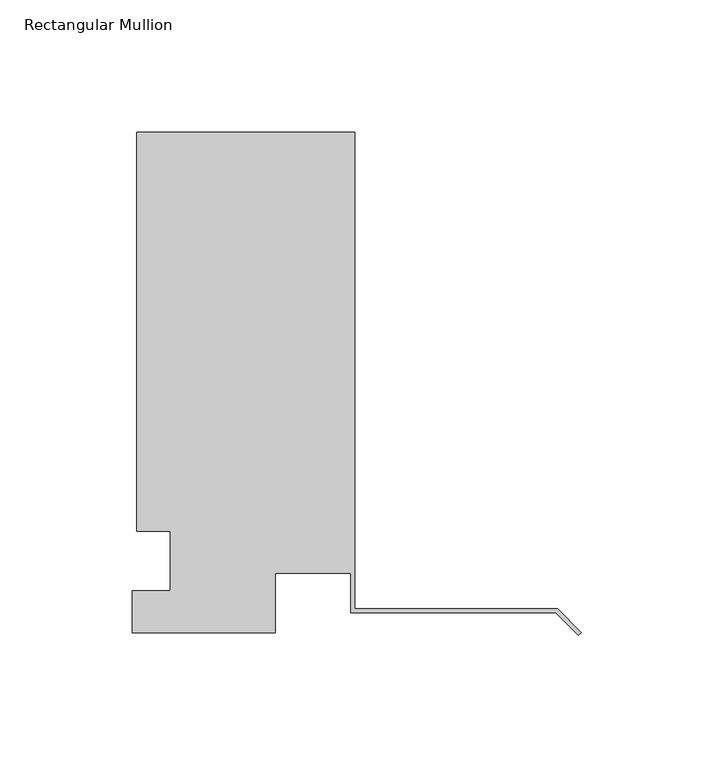
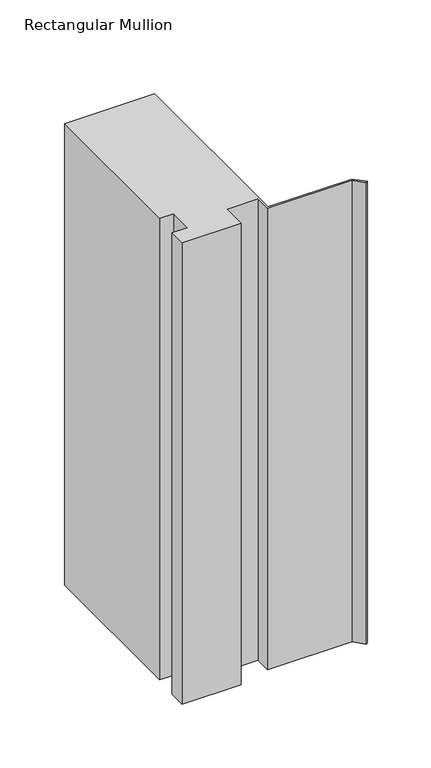
"""IFC4 building model written with IfcOpenShell, lengths in millimetres: member geometry, Rectangular Mullion."""

from ifc_helpers import new_model, si_unit, frame, origin, place, context, project, spatial, polyline, outline, extrude, source, transform, mapped, element, save


def rectangular_mullion_9416f5c9(model_context):
    return source(origin(), model_context, "Body", "SweptSolid", [
        extrude(outline(polyline([(-168.1144311, 150.9117188), (-85.5771311, 150.9117188), (-85.5771311, -29.1631889), (-8.9802561, -29.1631889), (0.0, -38.143445), (-1.122532, -39.2659771), (-9.6378202, -30.7506889), (-87.1646311, -30.7506889), (-87.1646311, -15.7757813), (-115.7396311, -15.7757813), (-115.7396311, -38.2547812), (-169.7146311, -38.2547812), (-169.7146311, -22.3797808), (-155.4271311, -22.3797808), (-155.4271311, 0.0992187), (-168.1144311, 0.0992188), (-168.1144311, 150.9117188)])), frame((0.0, 0.0, -446.8483422), z_axis=(0.0, 0.0, 1.0), x_axis=(1.0, 0.0, 0.0)), (0.0, 0.0, 1.0), 446.8483422),
    ])


if __name__ == "__main__":
    model = new_model("IFC4")
    model_context = context("Model", 3, world=origin())
    ifc_project = project(units=[si_unit("LENGTHUNIT", "METRE", prefix="MILLI")], contexts=[model_context])
    site = spatial("IfcSite", under=ifc_project)
    building = spatial("IfcBuilding", under=site)
    placement = place(None, origin())
    rectangular_mullion_shape = rectangular_mullion_9416f5c9(model_context)
    element("IfcMember", 1, ObjectType="Rectangular Mullion", at=placement, inside=building, context=model_context, shape_type="MappedRepresentation", body=[
        mapped(rectangular_mullion_shape, transform((0.0, 0.0, 0.0), x_axis=(1.0, 0.0, 0.0), y_axis=(0.0, 1.0, 0.0), z_axis=(0.0, 0.0, 1.0))),
    ])
    save(model, "model.ifc")
